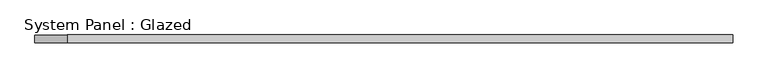
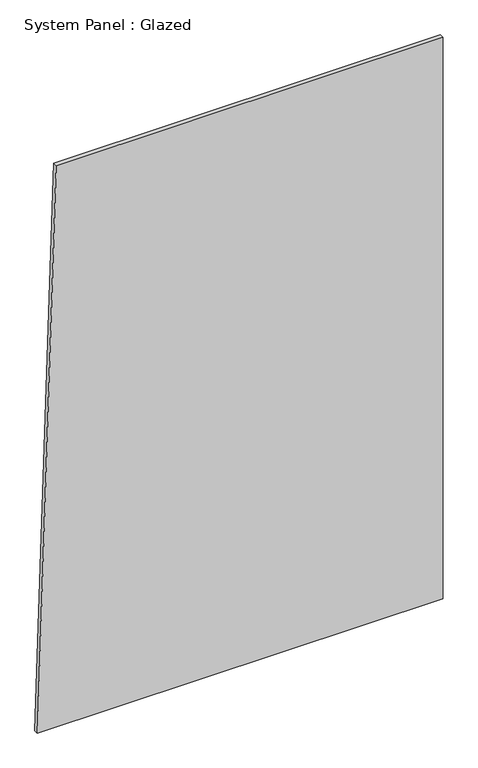
"""IFC4 building model written with IfcOpenShell, lengths in millimetres: plate geometry, System Panel : Glazed."""

import ifcopenshell
import ifcopenshell.guid

model = None  # the IFC model being written
_history = None  # IfcOwnerHistory: only IFC2X3 demands one
_inside = {}  # id of a spatial element -> (the spatial element, [elements in it])
_under = {}  # id of a project, library or spatial element -> (it, [spatial elements below it])
_declared = {}  # id of a project -> (the project, [libraries it declares])
_typed = {}  # id of a type object -> (the type object, [elements of that type])
_made_of = {}  # id of a material, layer set ... -> (it, [elements and type objects made of it])


def new_model(schema):
    """Start an empty IFC model of exactly this schema.

    Asked for "IFC4X3", IfcOpenShell would pick the latest addendum, in which some entities
    have other attributes; the version numbers below select the first issue.
    IFC2X3 requires an IfcOwnerHistory on every rooted entity: one is made here for all.
    """
    global model, _history
    if schema == "IFC4X3":
        model = ifcopenshell.file(schema_version=(4, 3, 0, 0))
    else:
        model = ifcopenshell.file(schema=schema)
    _inside.clear()
    _under.clear()
    _declared.clear()
    _typed.clear()
    _made_of.clear()
    _history = None
    if model.schema == "IFC2X3":
        org = make("IfcOrganization", Name="unknown")
        user = make(
            "IfcPersonAndOrganization",
            ThePerson=make("IfcPerson", FamilyName="unknown"),
            TheOrganization=org,
        )
        app = make(
            "IfcApplication",
            ApplicationDeveloper=org,
            Version="unknown",
            ApplicationFullName="unknown",
            ApplicationIdentifier="unknown",
        )
        _history = make(
            "IfcOwnerHistory",
            OwningUser=user,
            OwningApplication=app,
            ChangeAction="ADDED",
            CreationDate=0,
        )
    return model


def make(cls, **values):
    """One entity of the class cls with the attributes given. An attribute that is None is left unset."""
    return model.create_entity(
        cls, **{name: value for name, value in values.items() if value is not None}
    )


def rooted(cls, **values):
    """An entity with a GlobalId (a new one), such as an element, a storey or a relation."""
    return make(cls, GlobalId=ifcopenshell.guid.new(), OwnerHistory=_history, **values)


def si_unit(unit_type, name, prefix=None):
    """IfcSIUnit, for example si_unit("LENGTHUNIT", "METRE", prefix="MILLI")."""
    return make("IfcSIUnit", UnitType=unit_type, Prefix=prefix, Name=name)


def assignment(units):
    """IfcUnitAssignment: the units of a project."""
    return None if units is None else make("IfcUnitAssignment", Units=units)


def point(xyz):
    """IfcCartesianPoint."""
    return None if xyz is None else make("IfcCartesianPoint", Coordinates=xyz)


def direction(xyz):
    """IfcDirection."""
    return None if xyz is None else make("IfcDirection", DirectionRatios=xyz)


def frame(location, z_axis=None, x_axis=None):
    """IfcAxis2Placement3D, a coordinate frame: its origin and axes. An axis left out is left unset."""
    return make(
        "IfcAxis2Placement3D",
        Location=point(location),
        Axis=direction(z_axis),
        RefDirection=direction(x_axis),
    )


def origin():
    """The frame at (0, 0, 0) with its axes left unset."""
    return frame((0.0, 0.0, 0.0))


def place(relative_to, where):
    """IfcLocalPlacement: puts the frame where relative to a parent placement (None: the world)."""
    return make(
        "IfcLocalPlacement", PlacementRelTo=relative_to, RelativePlacement=where
    )


def context(
    kind, dimensions, precision=None, world=None, true_north=None, identifier=None
):
    """IfcGeometricRepresentationContext, for example the 3D "Model" context."""
    return make(
        "IfcGeometricRepresentationContext",
        ContextIdentifier=identifier,
        ContextType=kind,
        CoordinateSpaceDimension=dimensions,
        Precision=precision,
        WorldCoordinateSystem=world,
        TrueNorth=true_north,
    )


def project(units=None, contexts=None):
    """IfcProject with its units and contexts."""
    return rooted(
        "IfcProject",
        Name="project",
        RepresentationContexts=contexts,
        UnitsInContext=assignment(units),
    )


def spatial(cls, under=None, at=None, **own):
    """A site, building, storey or space (cls), placed at a placement, below another one or the project."""
    s = rooted(cls, ObjectPlacement=at, **own)
    if under is not None:
        _under.setdefault(under.id(), (under, []))[1].append(s)
    return s


def polyline(points):
    """IfcPolyline through the points."""
    return make("IfcPolyline", Points=[point(p) for p in points])


def outline(outer, holes=None, kind="AREA"):
    """IfcArbitraryClosedProfileDef: a profile drawn as a closed curve; with holes, ...WithVoids."""
    if holes is None:
        return make("IfcArbitraryClosedProfileDef", ProfileType=kind, OuterCurve=outer)
    return make(
        "IfcArbitraryProfileDefWithVoids",
        ProfileType=kind,
        OuterCurve=outer,
        InnerCurves=holes,
    )


def extrude(swept, where, along, depth):
    """IfcExtrudedAreaSolid: the profile swept, set in the frame where, extruded along a direction by depth."""
    return make(
        "IfcExtrudedAreaSolid",
        SweptArea=swept,
        Position=where,
        ExtrudedDirection=direction(along),
        Depth=depth,
    )


def shape(context_of_items, identifier, shape_type, items):
    """IfcShapeRepresentation: the items that make up one representation, for example the "Body"."""
    return make(
        "IfcShapeRepresentation",
        ContextOfItems=context_of_items,
        RepresentationIdentifier=identifier,
        RepresentationType=shape_type,
        Items=items,
    )


def source(mapping_origin, context_of_items, identifier, shape_type, items):
    """IfcRepresentationMap: a shape defined once, which mapped items show again and again."""
    return make(
        "IfcRepresentationMap",
        MappingOrigin=mapping_origin,
        MappedRepresentation=shape(context_of_items, identifier, shape_type, items),
    )


def transform(
    local_origin,
    x_axis=None,
    y_axis=None,
    z_axis=None,
    scale=None,
    scale2=None,
    scale3=None,
    uniform=True,
):
    """IfcCartesianTransformationOperator3D, or its non-uniform kind. x_axis, y_axis, z_axis: its Axis1, 2, 3."""
    if uniform:
        return make(
            "IfcCartesianTransformationOperator3D",
            Axis1=direction(x_axis),
            Axis2=direction(y_axis),
            LocalOrigin=point(local_origin),
            Scale=scale,
            Axis3=direction(z_axis),
        )
    return make(
        "IfcCartesianTransformationOperator3DnonUniform",
        Axis1=direction(x_axis),
        Axis2=direction(y_axis),
        LocalOrigin=point(local_origin),
        Scale=scale,
        Axis3=direction(z_axis),
        Scale2=scale2,
        Scale3=scale3,
    )


def mapped(mapping_source, mapping_target):
    """IfcMappedItem: shows the shape of a source again, moved by a transform."""
    return make(
        "IfcMappedItem", MappingSource=mapping_source, MappingTarget=mapping_target
    )


def made_of(thing, what):
    """Note that an element or type object is made of a material, layer set ...; save() writes the relation."""
    if what is not None:
        _made_of.setdefault(what.id(), (what, []))[1].append(thing)
    return thing


def element(
    cls,
    number,
    at=None,
    inside=None,
    cuts=None,
    type_object=None,
    material=None,
    context=None,
    identifier="Body",
    shape_type=None,
    held_by="IfcProductDefinitionShape",
    body=None,
    shapes=None,
    **own,
):
    """One element of the class cls, such as IfcWall. Its Tag is "e" and its number.

    at: its placement. inside: the storey or other place that contains it. cuts: it is an
    opening in that element (IfcRelVoidsElement). A single representation is given by context,
    identifier, shape_type and body (its items); several are given by shapes. held_by: the class
    of the entity that holds the representations. save() writes the other relations.
    """
    e = rooted(cls, Tag="e%d" % number, ObjectPlacement=at, **own)
    if body is not None:
        shapes = [shape(context, identifier, shape_type, body)]
    if shapes is not None:
        e.Representation = make(held_by, Representations=shapes)
    if inside is not None:
        _inside.setdefault(inside.id(), (inside, []))[1].append(e)
    if cuts is not None:
        rooted(
            "IfcRelVoidsElement", RelatingBuildingElement=cuts, RelatedOpeningElement=e
        )
    if type_object is not None:
        _typed.setdefault(type_object.id(), (type_object, []))[1].append(e)
    return made_of(e, material)


def aggregate(whole, parts):
    """IfcRelAggregates: a whole, such as a stair, and the parts it consists of."""
    return rooted("IfcRelAggregates", RelatingObject=whole, RelatedObjects=parts)


def save(model, path):
    """Write the relations noted so far, then the file.

    IfcRelAggregates (storeys below a building ...), IfcRelContainedInSpatialStructure (elements
    in a storey), IfcRelDefinesByType, IfcRelAssociatesMaterial and IfcRelDeclares: one each for
    every whole, place, type object, material and project.
    """
    for whole, parts in _under.values():
        aggregate(whole, parts)
    for where, things in _inside.values():
        rooted(
            "IfcRelContainedInSpatialStructure",
            RelatedElements=things,
            RelatingStructure=where,
        )
    for kind, things in _typed.values():
        rooted("IfcRelDefinesByType", RelatedObjects=things, RelatingType=kind)
    for what, things in _made_of.values():
        rooted("IfcRelAssociatesMaterial", RelatedObjects=things, RelatingMaterial=what)
    for by, libraries in _declared.values():
        rooted("IfcRelDeclares", RelatingContext=by, RelatedDefinitions=libraries)
    model.write(path)


def system_panel_glazed_63c8df63(model_context):
    return source(origin(), model_context, "Body", "SweptSolid", [
        extrude(outline(polyline([(0.0, -1140.7795463), (0.0, 1140.7795463), (3337.7616575, 1140.7795463), (3337.7616575, -1035.8301242), (0.0, -1140.7795463)])), frame((0.0, -49.5, 0.0), z_axis=(0.0, 1.0, 0.0), x_axis=(0.0, 0.0, 1.0)), (0.0, 0.0, 1.0), 25.0),
    ])


if __name__ == "__main__":
    model = new_model("IFC4")
    model_context = context("Model", 3, world=origin())
    ifc_project = project(units=[si_unit("LENGTHUNIT", "METRE", prefix="MILLI")], contexts=[model_context])
    site = spatial("IfcSite", under=ifc_project)
    building = spatial("IfcBuilding", under=site)
    placement = place(None, origin())
    system_panel_glazed_shape = system_panel_glazed_63c8df63(model_context)
    element("IfcPlate", 1, ObjectType="System Panel : Glazed", at=placement, inside=building, context=model_context, shape_type="MappedRepresentation", body=[
        mapped(system_panel_glazed_shape, transform((0.0, 0.0, 0.0), x_axis=(1.0, 0.0, 0.0), y_axis=(0.0, 1.0, 0.0), z_axis=(0.0, 0.0, 1.0))),
    ])
    save(model, "model.ifc")
